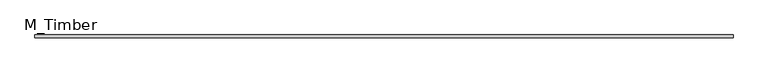
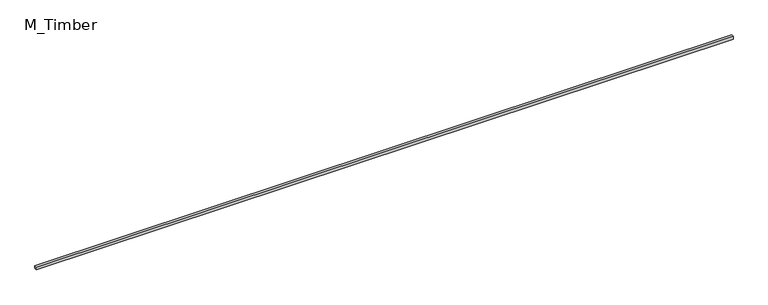
"""IFC4 building model written with IfcOpenShell, lengths in millimetres: beam geometry, M_Timber."""

from ifc_helpers import new_model, si_unit, frame, origin, place, context, project, spatial, polyline, outline, extrude, source, transform, mapped, element, save


def m_timber_85258be7(model_context):
    return source(origin(), model_context, "Body", "SweptSolid", [
        extrude(outline(polyline([(5116.3514198, 20.0), (5116.3514198, -20.0), (-5116.3514198, -20.0), (-5116.3514198, 20.0), (5116.3514198, 20.0)])), frame((0.0, 0.0, -20.0), z_axis=(0.0, 0.0, 1.0), x_axis=(1.0, 0.0, 0.0)), (0.0, 0.0, 1.0), 40.0),
    ])


if __name__ == "__main__":
    model = new_model("IFC4")
    model_context = context("Model", 3, world=origin())
    ifc_project = project(units=[si_unit("LENGTHUNIT", "METRE", prefix="MILLI")], contexts=[model_context])
    site = spatial("IfcSite", under=ifc_project)
    building = spatial("IfcBuilding", under=site)
    placement = place(None, origin())
    m_timber_shape = m_timber_85258be7(model_context)
    element("IfcBeam", 1, ObjectType="M_Timber", at=placement, inside=building, context=model_context, shape_type="MappedRepresentation", body=[
        mapped(m_timber_shape, transform((0.0, 0.0, 0.0), x_axis=(1.0, 0.0, 0.0), y_axis=(0.0, 1.0, 0.0), z_axis=(0.0, 0.0, 1.0))),
    ])
    save(model, "model.ifc")
